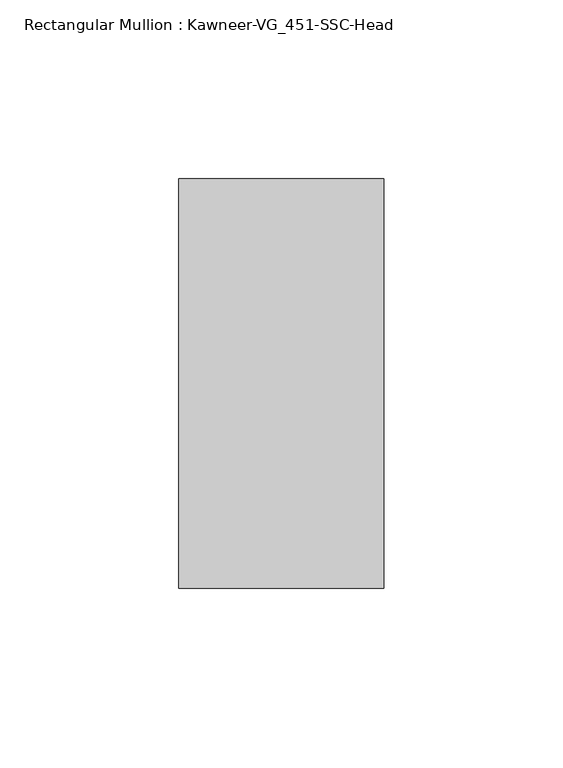
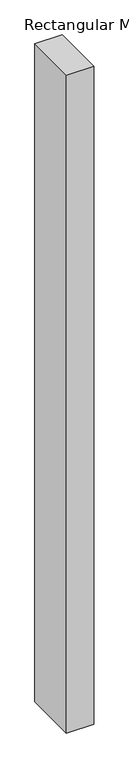
"""IFC4 building model written with IfcOpenShell, lengths in millimetres: member geometry, Rectangular Mullion : Kawneer-VG_451-SSC-Head."""

from ifc_helpers import new_model, si_unit, frame, origin, place, context, project, spatial, polyline, outline, extrude, source, transform, mapped, element, save


def rectangular_mullion_kawneer_vg_451_ssc_head_740f8d7e(model_context):
    return source(origin(), model_context, "Body", "SweptSolid", [
        extrude(outline(polyline([(-57.15, -57.15), (-57.15, 57.15), (0.0, 57.15), (0.0, -57.15), (-57.15, -57.15)])), frame((0.0, 0.0, -1458.9125), z_axis=(0.0, 0.0, 1.0), x_axis=(1.0, 0.0, 0.0)), (0.0, 0.0, 1.0), 1458.9125),
    ])


if __name__ == "__main__":
    model = new_model("IFC4")
    model_context = context("Model", 3, world=origin())
    ifc_project = project(units=[si_unit("LENGTHUNIT", "METRE", prefix="MILLI")], contexts=[model_context])
    site = spatial("IfcSite", under=ifc_project)
    building = spatial("IfcBuilding", under=site)
    placement = place(None, origin())
    rectangular_mullion_kawneer_vg_451_ssc_head_shape = rectangular_mullion_kawneer_vg_451_ssc_head_740f8d7e(model_context)
    element("IfcMember", 1, ObjectType="Rectangular Mullion : Kawneer-VG_451-SSC-Head", at=placement, inside=building, context=model_context, shape_type="MappedRepresentation", body=[
        mapped(rectangular_mullion_kawneer_vg_451_ssc_head_shape, transform((0.0, 0.0, 0.0), x_axis=(1.0, 0.0, 0.0), y_axis=(0.0, 1.0, 0.0), z_axis=(0.0, 0.0, 1.0))),
    ])
    save(model, "model.ifc")
